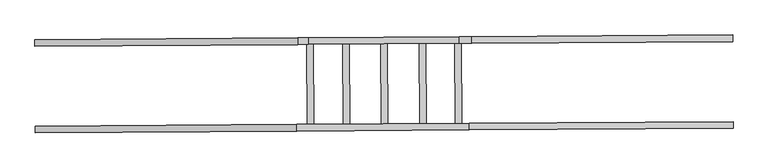
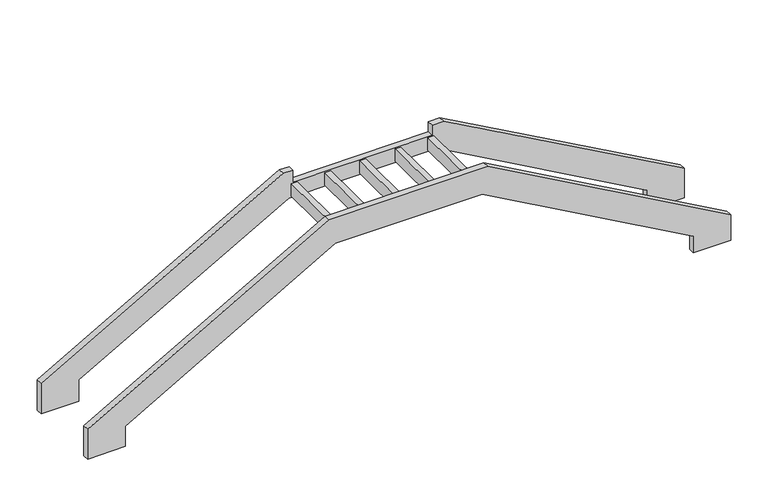
"""IFC4 building model written with IfcOpenShell, lengths in millimetres: stair geometry."""

from ifc_helpers import new_model, si_unit, origin, place, context, project, spatial, faceted_brep, source, transform, mapped, element, save


def stair_88075c22(model_context):
    return source(origin(), model_context, "Body", "Brep", [
        faceted_brep([(-102659.2126978, 100190.0410638, -2136.8763577), (-99231.1688569, 100213.3184985, -211.1765302), (-96831.9572445, 100229.6098572, -211.1765302), (-93390.0943637, 100252.9811273, -2152.6781971), (-93390.0943637, 100252.9811273, -2443.5005751), (-92780.4431684, 100257.1208398, -2443.5005751), (-92780.4431684, 100257.1208398, -1998.9713008), (-96747.4644109, 100230.1835886, 238.7640832), (-99342.8130328, 100212.5604014, 238.7640832), (-103278.8191021, 100185.8337525, -1972.2829631), (-103278.8191021, 100185.8337525, -2484.9395685), (-102659.2126978, 100190.0410638, -2484.9395685), (-102659.8930434, 100290.2348502, -2136.8763577), (-102659.8930434, 100290.2348502, -2484.9395685), (-103279.4994477, 100286.0275389, -2484.9395685), (-103279.4994477, 100286.0275389, -1972.2829631), (-99343.4933784, 100312.7541879, 238.7640832), (-96748.1447564, 100330.3773751, 238.7640832), (-92781.1235139, 100357.3146263, -1998.9713008), (-92781.1235139, 100357.3146263, -2443.5005751), (-93390.7747093, 100353.1749138, -2443.5005751), (-93390.7747093, 100353.1749138, -2152.6781971), (-96832.63759, 100329.8036437, -211.1765302), (-99231.8492024, 100313.512285, -211.1765302), (-99186.4440707, 100313.8205993, -203.9867204), (-99091.4733169, 100314.4654789, -203.9867204), (-99091.4733169, 100314.4654789, 10.875), (-99186.4440707, 100313.8205993, 10.875), (-98643.2561226, 100317.5090066, -203.9867204), (-98548.2853688, 100318.1538862, -203.9867204), (-98548.2853688, 100318.1538862, 10.875), (-98643.2561226, 100317.5090066, 10.875), (-98071.4910215, 100321.3914613, -203.9867204), (-97976.5202677, 100322.0363409, -203.9867204), (-97976.5202677, 100322.0363409, 10.875), (-98071.4910215, 100321.3914613, 10.875), (-97493.4482751, 100325.316543, -203.9867204), (-97398.4775214, 100325.9614226, -203.9867204), (-97398.4775214, 100325.9614226, 10.875), (-97493.4482751, 100325.316543, 10.875), (-96958.2253277, 100328.9508657, -203.9867204), (-96860.7546316, 100329.6127206, -203.9867204), (-96860.7546316, 100329.6127206, 10.875), (-96958.2253277, 100328.9508657, 10.875), (-102663.0588422, 101492.8545668, -2130.1392586), (-99241.4646201, 101516.0882067, -221.1765302), (-96815.4915259, 101532.5612837, -221.1765302), (-93393.9405081, 101555.7946303, -2151.4911853), (-93393.9405081, 101555.7946303, -2498.5005751), (-92784.2893128, 101559.9343428, -2498.5005751), (-92784.2893128, 101559.9343428, -1993.5324614), (-96710.7402546, 101533.272576, 208.7640832), (-96899.3235497, 101531.9920394, 208.7640832), (-96899.3235497, 101531.9920394, 30.875), (-99170.513075, 101516.5699887, 30.875), (-99170.513075, 101516.5699887, 238.7640832), (-99331.6953997, 101515.4755129, 238.7640832), (-103282.6652465, 101488.6472554, -1965.545864), (-103282.6652465, 101488.6472554, -2494.9395685), (-102663.0588422, 101492.8545668, -2494.9395685), (-99099.6392311, 101517.0512431, -203.9867204), (-99194.6099848, 101516.4063635, -203.9867204), (-99194.6099848, 101516.4063635, 10.875), (-99099.6392311, 101517.0512431, 10.875), (-98556.451283, 101520.7396505, -203.9867204), (-98651.4220367, 101520.0947709, -203.9867204), (-98651.4220367, 101520.0947709, 10.875), (-98556.451283, 101520.7396505, 10.875), (-97984.6861819, 101524.6221051, -203.9867204), (-98079.6569356, 101523.9772255, -203.9867204), (-98079.6569356, 101523.9772255, 10.875), (-97984.6861819, 101524.6221051, 10.875), (-97406.6434355, 101528.5471869, -203.9867204), (-97501.6141893, 101527.9023073, -203.9867204), (-97501.6141893, 101527.9023073, 10.875), (-97406.6434355, 101528.5471869, 10.875), (-96868.9205457, 101532.1984849, -203.9867204), (-96966.3912418, 101531.5366299, -203.9867204), (-96966.3912418, 101531.5366299, 10.875), (-96868.9205457, 101532.1984849, 10.875), (-102663.7391878, 101593.0483532, -2130.1392586), (-102663.7391878, 101593.0483532, -2494.9395685), (-103283.3455921, 101588.8410419, -2494.9395685), (-103283.3455921, 101588.8410419, -1965.545864), (-99332.3757453, 101615.6692994, 238.7640832), (-99171.1934205, 101616.7637752, 238.7640832), (-99171.1934205, 101616.7637752, 30.875), (-96900.0038952, 101632.1858259, 30.875), (-96900.0038952, 101632.1858259, 208.7640832), (-96711.4206001, 101633.4663624, 208.7640832), (-92784.9696584, 101660.1281293, -1993.5324614), (-92784.9696584, 101660.1281293, -2498.5005751), (-93394.6208537, 101655.9884168, -2498.5005751), (-93394.6208537, 101655.9884168, -2151.4911853), (-96816.1718714, 101632.7550702, -221.1765302), (-99242.1449657, 101616.2819931, -221.1765302)], [[[0, 1, 2, 3, 4, 5, 6, 7, 8, 9, 10, 11]], [[12, 13, 14, 15, 16, 17, 18, 19, 20, 21, 22, 23], [24, 25, 26, 27], [28, 29, 30, 31], [32, 33, 34, 35], [36, 37, 38, 39], [40, 41, 42, 43]], [[1, 0, 12, 23]], [[2, 1, 23, 22]], [[3, 2, 22, 21]], [[4, 3, 21, 20]], [[5, 4, 20, 19]], [[6, 5, 19, 18]], [[7, 6, 18, 17]], [[8, 7, 17, 16]], [[9, 8, 16, 15]], [[10, 9, 15, 14]], [[11, 10, 14, 13]], [[0, 11, 13, 12]], [[44, 45, 46, 47, 48, 49, 50, 51, 52, 53, 54, 55, 56, 57, 58, 59], [60, 61, 62, 63], [64, 65, 66, 67], [68, 69, 70, 71], [72, 73, 74, 75], [76, 77, 78, 79]], [[80, 81, 82, 83, 84, 85, 86, 87, 88, 89, 90, 91, 92, 93, 94, 95]], [[45, 44, 80, 95]], [[46, 45, 95, 94]], [[47, 46, 94, 93]], [[48, 47, 93, 92]], [[49, 48, 92, 91]], [[50, 49, 91, 90]], [[51, 50, 90, 89]], [[52, 51, 89, 88]], [[57, 56, 84, 83]], [[58, 57, 83, 82]], [[59, 58, 82, 81]], [[44, 59, 81, 80]], [[53, 52, 88, 87]], [[54, 53, 87, 86]], [[55, 54, 86, 85]], [[56, 55, 85, 84]], [[25, 24, 61, 60]], [[26, 25, 60, 63]], [[27, 26, 63, 62]], [[24, 27, 62, 61]], [[29, 28, 65, 64]], [[30, 29, 64, 67]], [[31, 30, 67, 66]], [[28, 31, 66, 65]], [[33, 32, 69, 68]], [[34, 33, 68, 71]], [[35, 34, 71, 70]], [[32, 35, 70, 69]], [[37, 36, 73, 72]], [[38, 37, 72, 75]], [[39, 38, 75, 74]], [[36, 39, 74, 73]], [[41, 40, 77, 76]], [[42, 41, 76, 79]], [[43, 42, 79, 78]], [[40, 43, 78, 77]]]),
    ])


if __name__ == "__main__":
    model = new_model("IFC4")
    model_context = context("Model", 3, world=origin())
    ifc_project = project(units=[si_unit("LENGTHUNIT", "METRE", prefix="MILLI")], contexts=[model_context])
    site = spatial("IfcSite", under=ifc_project)
    building = spatial("IfcBuilding", under=site)
    placement = place(None, origin())
    stair_shape = stair_88075c22(model_context)
    element("IfcStair", 1, at=placement, inside=building, context=model_context, shape_type="MappedRepresentation", body=[
        mapped(stair_shape, transform((0.0, 0.0, 0.0), x_axis=(1.0, 0.0, 0.0), y_axis=(0.0, 1.0, 0.0), z_axis=(0.0, 0.0, 1.0))),
    ])
    save(model, "model.ifc")
